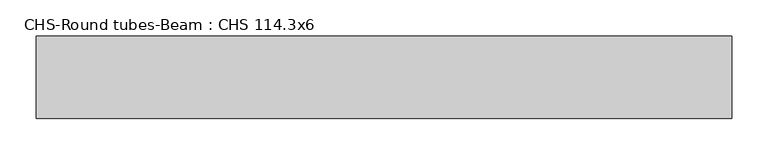
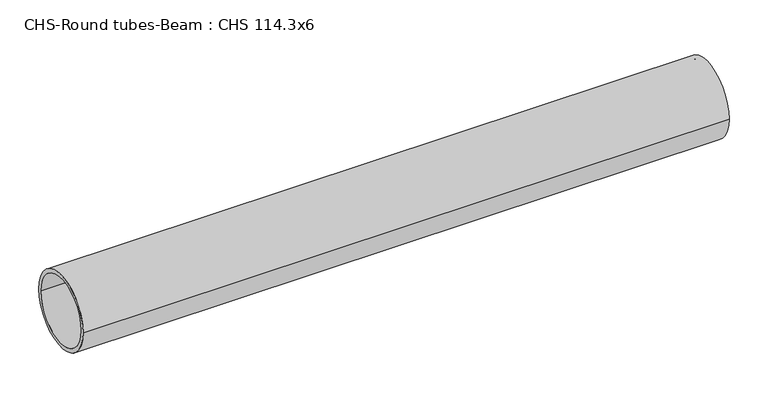
"""IFC4 building model written with IfcOpenShell, lengths in millimetres: beam geometry, CHS-Round tubes-Beam : CHS 114.3x6."""

from ifc_helpers import new_model, si_unit, point, frame, origin, origin_2d, place, context, project, spatial, circle_curve, trimmed, segment, composite_curve, outline, extrude, source, transform, mapped, element, save


def chs_round_tubes_beam_chs_114_3x6_0db591ef(model_context):
    return source(origin(), model_context, "Body", "SweptSolid", [
        extrude(outline(composite_curve([segment(trimmed(circle_curve(origin_2d(), 57.15), [point((57.15, 0.0))], [point((-57.15, 0.0))], False, "CARTESIAN"), True, "CONTINUOUS"), segment(trimmed(circle_curve(origin_2d(), 57.15), [point((-57.15, 0.0))], [point((57.15, 0.0))], False, "CARTESIAN"), True, "CONTINUOUS")], self_intersect=False), holes=[composite_curve([segment(trimmed(circle_curve(origin_2d(), 51.15), [point((51.15, 0.0))], [point((-51.15, 0.0))], True, "CARTESIAN"), True, "CONTINUOUS"), segment(trimmed(circle_curve(origin_2d(), 51.15), [point((-51.15, 0.0))], [point((51.15, 0.0))], True, "CARTESIAN"), True, "CONTINUOUS")], self_intersect=False)]), frame((-487.3007939, 0.0, 0.0), z_axis=(1.0, 0.0, 0.0), x_axis=(0.0, 1.0, 0.0)), (0.0, 0.0, 1.0), 960.9575128),
    ])


if __name__ == "__main__":
    model = new_model("IFC4")
    model_context = context("Model", 3, world=origin())
    ifc_project = project(units=[si_unit("LENGTHUNIT", "METRE", prefix="MILLI")], contexts=[model_context])
    site = spatial("IfcSite", under=ifc_project)
    building = spatial("IfcBuilding", under=site)
    placement = place(None, origin())
    chs_round_tubes_beam_chs_114_3x6_shape = chs_round_tubes_beam_chs_114_3x6_0db591ef(model_context)
    element("IfcBeam", 1, ObjectType="CHS-Round tubes-Beam : CHS 114.3x6", at=placement, inside=building, context=model_context, shape_type="MappedRepresentation", body=[
        mapped(chs_round_tubes_beam_chs_114_3x6_shape, transform((0.0, 0.0, 0.0), x_axis=(1.0, 0.0, 0.0), y_axis=(0.0, 1.0, 0.0), z_axis=(0.0, 0.0, 1.0))),
    ])
    save(model, "model.ifc")
